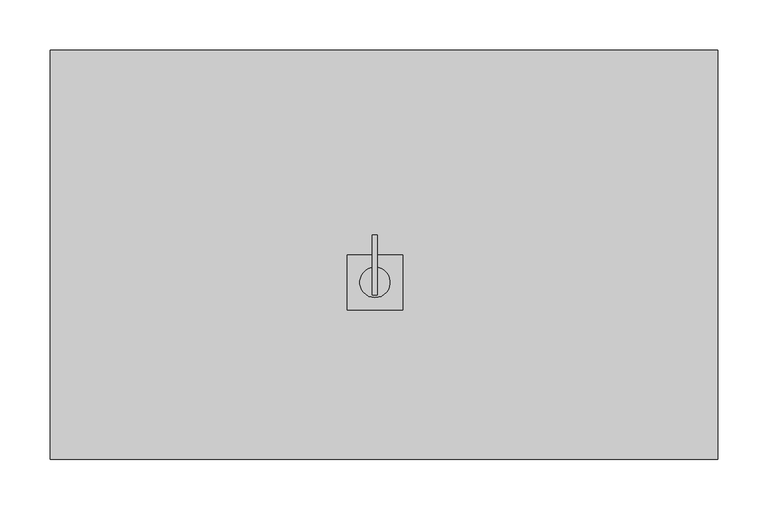
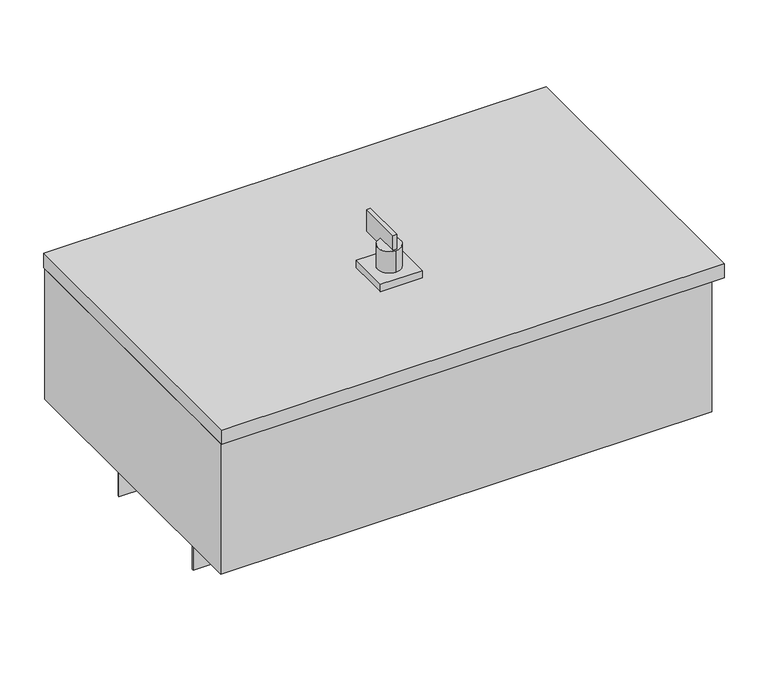
"""IFC4 building model written with IfcOpenShell, lengths in millimetres: proxy geometry."""

from ifc_helpers import new_model, si_unit, point, frame, frame_2d, origin, origin_with_axes, place, context, project, spatial, polyline, circle_curve, trimmed, segment, composite_curve, outline, extrude, source, transform, mapped, element, save


def electrical_fixtures_8e31a2f9(model_context):
    return source(origin(), model_context, "Body", "SweptSolid", [
        extrude(outline(polyline([(209.5, -40.0), (209.5, 19.6236902), (214.5, 19.6236902), (214.5, -40.0), (209.5, -40.0)])), frame((0.0, 0.0, 232.0), z_axis=(0.0, 0.0, 1.0), x_axis=(1.0, 0.0, 0.0)), (0.0, 0.0, 1.0), 30.0),
        extrude(outline(composite_curve([segment(trimmed(circle_curve(frame_2d((212.0, -27.5)), 15.0), [point((212.0, -12.5))], [point((212.0, -42.5))], False, "CARTESIAN"), True, "CONTINUOUS"), segment(trimmed(circle_curve(frame_2d((212.0, -27.5)), 15.0), [point((212.0, -42.5))], [point((212.0, -12.5))], False, "CARTESIAN"), True, "CONTINUOUS")], self_intersect=False)), frame((0.0, 0.0, 202.0), z_axis=(0.0, 0.0, 1.0), x_axis=(1.0, 0.0, 0.0)), (0.0, 0.0, 1.0), 40.0),
        extrude(outline(polyline([(184.5, -55.0), (184.5, 0.0), (239.5, 0.0), (239.5, -55.0), (184.5, -55.0)])), frame((0.0, 0.0, 202.0), z_axis=(0.0, 0.0, 1.0), x_axis=(1.0, 0.0, 0.0)), (0.0, 0.0, 1.0), 10.0),
        extrude(outline(polyline([(0.0, -80.0), (-75.0, -80.0), (-75.0, -10.0), (-15.0, -10.0), (-15.0, 5.0), (-75.0, 5.0), (-75.0, 65.0), (-20.0, 65.0), (-20.0, 442.0), (-75.0, 442.0), (-75.0, 537.0), (-30.0, 537.0), (-30.0, 512.0), (-20.0, 512.0), (-20.0, 537.0), (0.0, 537.0), (0.0, -80.0)])), frame((0.0, -85.5, 0.0), z_axis=(0.0, 1.0, 0.0), x_axis=(0.0, 0.0, 1.0)), (0.0, 0.0, 1.0), 2.0),
        extrude(outline(polyline([(0.0, -80.0), (-75.0, -80.0), (-75.0, -10.0), (-15.0, -10.0), (-15.0, 5.0), (-75.0, 5.0), (-75.0, 65.0), (-20.0, 65.0), (-20.0, 442.0), (-75.0, 442.0), (-75.0, 537.0), (-30.0, 537.0), (-30.0, 512.0), (-20.0, 512.0), (-20.0, 537.0), (0.0, 537.0), (0.0, -80.0)])), frame((0.0, 83.5, 0.0), z_axis=(0.0, 1.0, 0.0), x_axis=(0.0, 0.0, 1.0)), (0.0, 0.0, 1.0), 2.0),
        extrude(outline(polyline([(552.0, -203.0), (-110.0, -203.0), (-110.0, 203.0), (552.0, 203.0), (552.0, -203.0)])), frame((0.0, 0.0, 182.0), z_axis=(0.0, 0.0, 1.0), x_axis=(1.0, 0.0, 0.0)), (0.0, 0.0, 1.0), 20.0),
        extrude(outline(polyline([(0.0, -55.0), (0.0, 55.0), (10.0, 55.0), (10.0, -55.0), (0.0, -55.0)])), frame((0.0, 0.0, -40.0), z_axis=(0.0, 0.0, 1.0), x_axis=(1.0, 0.0, 0.0)), (0.0, 0.0, 1.0), 40.0),
        extrude(outline(polyline([(-110.0, -201.0), (-110.0, 201.0), (537.0, 201.0), (537.0, -201.0), (-110.0, -201.0)])), origin_with_axes(), (0.0, 0.0, 1.0), 182.0),
    ])


if __name__ == "__main__":
    model = new_model("IFC4")
    model_context = context("Model", 3, world=origin())
    ifc_project = project(units=[si_unit("LENGTHUNIT", "METRE", prefix="MILLI")], contexts=[model_context])
    site = spatial("IfcSite", under=ifc_project)
    building = spatial("IfcBuilding", under=site)
    placement = place(None, origin())
    electrical_fixtures_shape = electrical_fixtures_8e31a2f9(model_context)
    element("IfcBuildingElementProxy", 1, Name="Electrical Fixtures", at=placement, inside=building, context=model_context, shape_type="MappedRepresentation", body=[
        mapped(electrical_fixtures_shape, transform((0.0, 0.0, 0.0), x_axis=(1.0, 0.0, 0.0), y_axis=(0.0, 1.0, 0.0), z_axis=(0.0, 0.0, 1.0))),
    ])
    save(model, "model.ifc")
